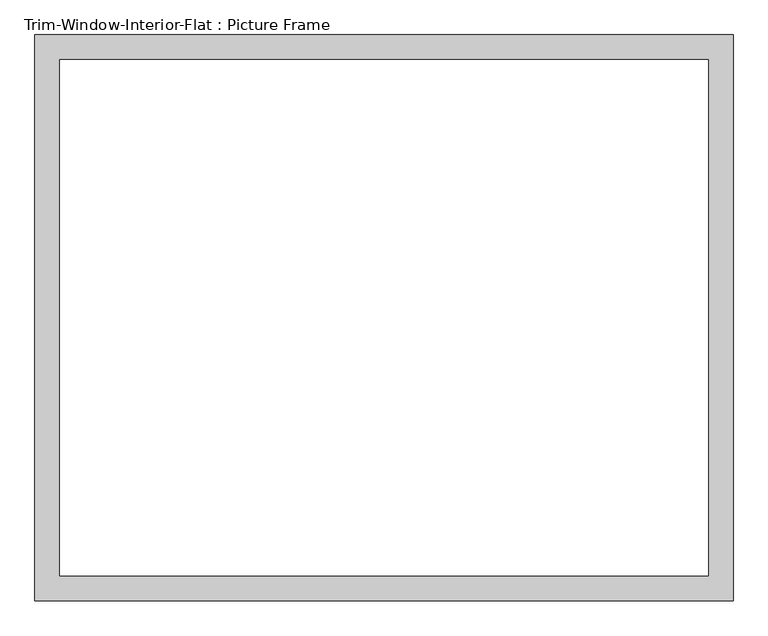
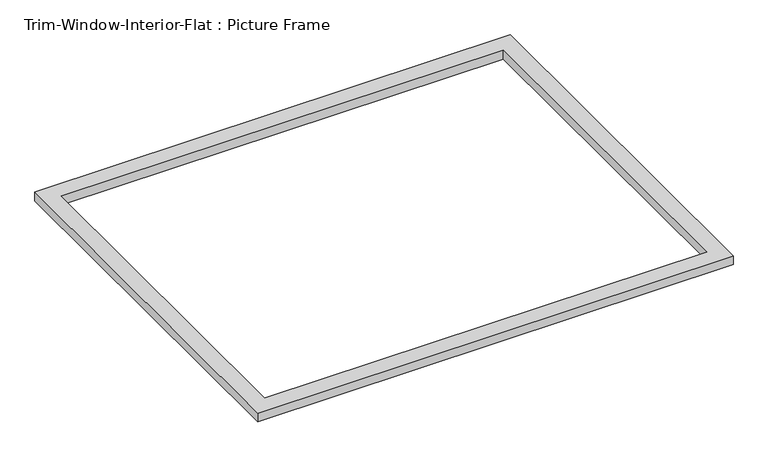
"""IFC4 building model written with IfcOpenShell, lengths in millimetres: proxy geometry, Trim-Window-Interior-Flat : Picture Frame."""

from ifc_helpers import new_model, si_unit, origin, origin_with_axes, place, context, project, spatial, polyline, outline, extrude, source, transform, mapped, element, save


def trim_window_interior_flat_picture_frame_752c319f(model_context):
    return source(origin(), model_context, "Body", "SweptSolid", [
        extrude(outline(polyline([(806.45, -44.45), (-806.45, -44.45), (-806.45, 1263.65), (806.45, 1263.65), (806.45, -44.45)]), holes=[polyline([(749.3, 12.7), (749.3, 1206.5), (-749.3, 1206.5), (-749.3, 12.7), (749.3, 12.7)])]), origin_with_axes(), (0.0, 0.0, 1.0), 31.75),
    ])


if __name__ == "__main__":
    model = new_model("IFC4")
    model_context = context("Model", 3, world=origin())
    ifc_project = project(units=[si_unit("LENGTHUNIT", "METRE", prefix="MILLI")], contexts=[model_context])
    site = spatial("IfcSite", under=ifc_project)
    building = spatial("IfcBuilding", under=site)
    placement = place(None, origin())
    trim_window_interior_flat_picture_frame_shape = trim_window_interior_flat_picture_frame_752c319f(model_context)
    element("IfcBuildingElementProxy", 1, Name="Trim-Window-Interior-Flat : Picture Frame", ObjectType="Trim-Window-Interior-Flat : Picture Frame", at=placement, inside=building, context=model_context, shape_type="MappedRepresentation", body=[
        mapped(trim_window_interior_flat_picture_frame_shape, transform((0.0, 0.0, 0.0), x_axis=(1.0, 0.0, 0.0), y_axis=(0.0, 1.0, 0.0), z_axis=(0.0, 0.0, 1.0))),
    ])
    save(model, "model.ifc")
